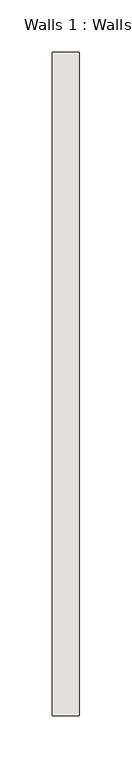
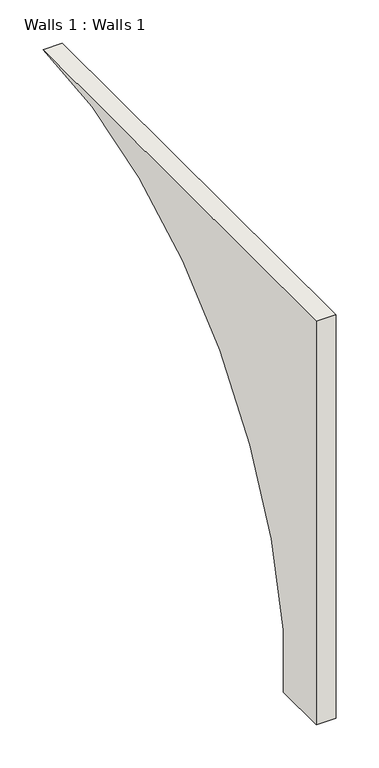
"""IFC4 building model written with IfcOpenShell, lengths in millimetres: wall geometry, Walls 1 : Walls 1."""

from ifc_helpers import new_model, si_unit, frame, origin, place, context, project, spatial, polyline, circle_curve, source, transform, mapped, element, save
from ifc_brep_helpers import plane_surface, revolved_surface, advanced_brep


def walls_1_walls_1_d8c09a04(model_context):
    return source(origin(), model_context, "Body", "AdvancedBrep", [
        advanced_brep(
        [(-12072.8978631, -470.5863154, 1181.1), (-12072.8978631, -470.5863154, 609.6), (-12072.8978631, -394.3863154, 609.6), (-12072.8978631, -394.3863154, 698.5), (-12072.8978631, 164.4136846, 1181.1), (-12098.8013402, -470.5863154, 1181.1), (-12098.8013402, 164.4136846, 1181.1), (-12098.8013402, -394.3863154, 698.5), (-12098.8013402, -394.3863154, 609.6), (-12098.8013402, -470.5863154, 609.6)],
        [
            (0, 1),
            (1, 2),
            (2, 3),
            (3, 4, circle_curve(frame((-12072.8978631, 164.4136846, 616.2842105), z_axis=(-1.0, 0.0, 0.0), x_axis=(0.0, 0.0, -1.0)), 564.8157895)),
            (4, 0),
            (5, 6),
            (6, 7, circle_curve(frame((-12098.8013402, 164.4136846, 616.2842105), z_axis=(1.0, 0.0, 0.0), x_axis=(0.0, 0.0, -1.0)), 564.8157895)),
            (7, 8),
            (8, 9),
            (9, 5),
            (0, 5),
            (9, 1),
            (8, 2),
            (7, 3),
            (6, 4),
        ],
        [
            plane_surface(frame((-12072.8978631, -470.5863154, 762.0), z_axis=(1.0, 0.0, 0.0), x_axis=(0.0, 0.0, -1.0))),
            plane_surface(frame((-12098.8013402, -470.5863154, 762.0), z_axis=(-1.0, 0.0, 0.0), x_axis=(0.0, 0.0, 1.0))),
            plane_surface(frame((-12072.8978631, -470.5863154, 1181.1), z_axis=(0.0, -1.0, 0.0), x_axis=(-1.0, 0.0, 0.0))),
            plane_surface(frame((-12072.8978631, -470.5863154, 609.6), z_axis=(0.0, 0.0, -1.0), x_axis=(-1.0, 0.0, 0.0))),
            plane_surface(frame((-12072.8978631, -394.3863154, 609.6), z_axis=(0.0, 1.0, 0.0), x_axis=(-1.0, 0.0, 0.0))),
            revolved_surface(polyline([(-12098.8013402, 164.4136846, 51.46842099999992), (-12072.8978631, 164.4136846, 51.46842099999992)]), (-12098.8013402, 164.4136846, 616.2842105), (-1.0, 0.0, 0.0)),
            plane_surface(frame((-12072.8978631, 164.4136846, 1181.1), z_axis=(0.0, 0.0, 1.0), x_axis=(-1.0, 0.0, 0.0))),
        ],
        [
            (0, [[1, 2, 3, 4, 5]]),
            (1, [[6, 7, 8, 9, 10]]),
            (2, [[-1, 11, -10, 12]]),
            (3, [[-2, -12, -9, 13]]),
            (4, [[-3, -13, -8, 14]]),
            (5, [[-4, -14, -7, 15]]),
            (6, [[-5, -15, -6, -11]]),
        ],
    ),
    ])


if __name__ == "__main__":
    model = new_model("IFC4")
    model_context = context("Model", 3, world=origin())
    ifc_project = project(units=[si_unit("LENGTHUNIT", "METRE", prefix="MILLI")], contexts=[model_context])
    site = spatial("IfcSite", under=ifc_project)
    building = spatial("IfcBuilding", under=site)
    placement = place(None, origin())
    walls_1_walls_1_shape = walls_1_walls_1_d8c09a04(model_context)
    element("IfcWall", 1, ObjectType="Walls 1 : Walls 1", at=placement, inside=building, context=model_context, shape_type="MappedRepresentation", body=[
        mapped(walls_1_walls_1_shape, transform((0.0, 0.0, 0.0), x_axis=(1.0, 0.0, 0.0), y_axis=(0.0, 1.0, 0.0), z_axis=(0.0, 0.0, 1.0))),
    ])
    save(model, "model.ifc")
